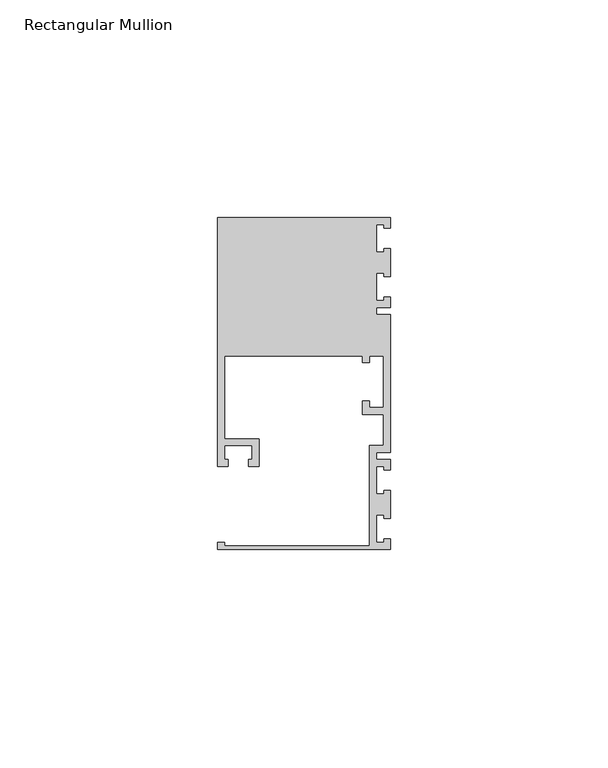
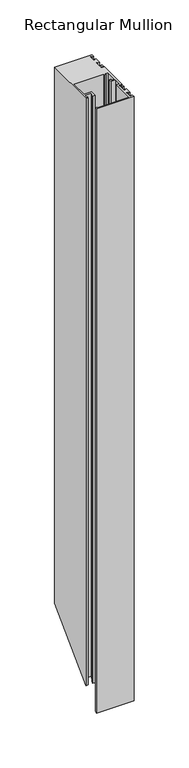
"""IFC4 building model written with IfcOpenShell, lengths in millimetres: member geometry, Rectangular Mullion."""

from ifc_helpers import new_model, si_unit, origin, place, context, project, spatial, faceted_brep, source, transform, mapped, element, save


def rectangular_mullion_403d4ccc(model_context):
    return source(origin(), model_context, "Body", "Brep", [
        faceted_brep([(0.0, -38.1, 0.0), (0.0, -35.71875, 0.0), (-1.4999946, -35.71875, 0.0), (-1.4999946, -36.5125, 0.0), (-3.175, -36.5125, 0.0), (-3.175, -30.1625, 0.0), (-1.4999946, -30.1625, 0.0), (-1.4999946, -30.95625, 0.0), (0.0, -30.95625, 0.0), (0.0, -24.60625, 0.0), (-1.4999946, -24.60625, 0.0), (-1.4999946, -25.4, 0.0), (-3.175, -25.4, 0.0), (-3.175, -19.05, 0.0), (-1.4999946, -19.05, 0.0), (-1.4999946, -19.84375, 0.0), (0.0, -19.84375, 0.0), (0.0, -17.4625, 0.0), (-3.175, -17.4625, 0.0), (-3.175, -15.875, 0.0), (0.0, -15.875, 0.0), (0.0, 15.875, 0.0), (-3.175, 15.875, 0.0), (-3.175, 17.4625, 0.0), (0.0, 17.4625, 0.0), (0.0, 19.84375, 0.0), (-1.4999946, 19.84375, 0.0), (-1.4999946, 19.05, 0.0), (-3.175, 19.05, 0.0), (-3.175, 25.4, 0.0), (-1.4999946, 25.4, 0.0), (-1.4999946, 24.60625, 0.0), (0.0, 24.60625, 0.0), (0.0, 30.95625, 0.0), (-1.4999946, 30.95625, 0.0), (-1.4999946, 30.1625, 0.0), (-3.175, 30.1625, 0.0), (-3.175, 36.5125, 0.0), (-1.4999946, 36.5125, 0.0), (-1.4999946, 35.71875, 0.0), (0.0, 35.71875, 0.0), (0.0, 38.1, 0.0), (-39.6875, 38.1, 0.0), (-39.6875, -19.05, 0.0), (-37.30625, -19.05, 0.0), (-37.30625, -17.4625, 0.0), (-38.1, -17.4625, 0.0), (-38.1, -14.2875, 0.0), (-31.75, -14.2875, 0.0), (-31.75, -17.4625, 0.0), (-32.54375, -17.4625, 0.0), (-32.54375, -19.05, 0.0), (-30.1625, -19.05, 0.0), (-30.1625, -12.7, 0.0), (-38.1, -12.7, 0.0), (-38.1, 6.35, 0.0), (-6.35, 6.35, 0.0), (-6.35, 4.7625, 0.0), (-4.7625, 4.7625, 0.0), (-4.7625, 6.35, 0.0), (-1.5875, 6.35, 0.0), (-1.5875, -5.55625, 0.0), (-4.7625, -5.55625, 0.0), (-4.7625, -3.96875, 0.0), (-6.35, -3.96875, 0.0), (-6.35, -7.14375, 0.0), (-1.5875, -7.14375, 0.0), (-1.5875, -14.2875, 0.0), (-4.7625, -14.2875, 0.0), (-4.7625, -37.30625, 0.0), (-38.1, -37.30625, 0.0), (-38.1, -36.5125, 0.0), (-39.6875, -36.5125, 0.0), (-39.6875, -38.1, 0.0), (0.0, -38.1, -673.1), (0.0, -35.71875, -670.71875), (-1.4999946, -35.71875, -670.71875), (-1.4999946, -36.5125, -671.5125), (-3.175, -36.5125, -671.5125), (-3.175, -30.1625, -665.1625), (-1.4999946, -30.1625, -665.1625), (-1.4999946, -30.95625, -665.95625), (0.0, -30.95625, -665.95625), (0.0, -24.60625, -659.60625), (-1.4999946, -24.60625, -659.60625), (-1.4999946, -25.4, -660.4), (-3.175, -25.4, -660.4), (-3.175, -19.05, -654.05), (-1.4999946, -19.05, -654.05), (-1.4999946, -19.84375, -654.84375), (0.0, -19.84375, -654.84375), (0.0, -17.4625, -652.4625), (-3.175, -17.4625, -652.4625), (-3.175, -15.875, -650.875), (0.0, -15.875, -650.875), (0.0, 15.875, -619.125), (-3.175, 15.875, -619.125), (-3.175, 17.4625, -617.5375), (0.0, 17.4625, -617.5375), (0.0, 19.84375, -615.15625), (-1.4999946, 19.84375, -615.15625), (-1.4999946, 19.05, -615.95), (-3.175, 19.05, -615.95), (-3.175, 25.4, -609.6), (-1.4999946, 25.4, -609.6), (-1.4999946, 24.60625, -610.39375), (0.0, 24.60625, -610.39375), (0.0, 30.95625, -604.04375), (-1.4999946, 30.95625, -604.04375), (-1.4999946, 30.1625, -604.8375), (-3.175, 30.1625, -604.8375), (-3.175, 36.5125, -598.4875), (-1.4999946, 36.5125, -598.4875), (-1.4999946, 35.71875, -599.28125), (0.0, 35.71875, -599.28125), (0.0, 38.1, -596.9), (-39.6875, 38.1, -596.9), (-39.6875, -19.05, -654.05), (-37.30625, -19.05, -654.05), (-37.30625, -17.4625, -652.4625), (-38.1, -17.4625, -652.4625), (-38.1, -14.2875, -649.2875), (-31.75, -14.2875, -649.2875), (-31.75, -17.4625, -652.4625), (-32.54375, -17.4625, -652.4625), (-32.54375, -19.05, -654.05), (-30.1625, -19.05, -654.05), (-30.1625, -12.7, -647.7), (-38.1, -12.7, -647.7), (-38.1, 6.35, -628.65), (-6.35, 6.35, -628.65), (-6.35, 4.7625, -630.2375), (-4.7625, 4.7625, -630.2375), (-4.7625, 6.35, -628.65), (-1.5875, 6.35, -628.65), (-1.5875, -5.55625, -640.55625), (-4.7625, -5.55625, -640.55625), (-4.7625, -3.96875, -638.96875), (-6.35, -3.96875, -638.96875), (-6.35, -7.14375, -642.14375), (-1.5875, -7.14375, -642.14375), (-1.5875, -14.2875, -649.2875), (-4.7625, -14.2875, -649.2875), (-4.7625, -37.30625, -672.30625), (-38.1, -37.30625, -672.30625), (-38.1, -36.5125, -671.5125), (-39.6875, -36.5125, -671.5125), (-39.6875, -38.1, -673.1)], [[[0, 1, 2, 3, 4, 5, 6, 7, 8, 9, 10, 11, 12, 13, 14, 15, 16, 17, 18, 19, 20, 21, 22, 23, 24, 25, 26, 27, 28, 29, 30, 31, 32, 33, 34, 35, 36, 37, 38, 39, 40, 41, 42, 43, 44, 45, 46, 47, 48, 49, 50, 51, 52, 53, 54, 55, 56, 57, 58, 59, 60, 61, 62, 63, 64, 65, 66, 67, 68, 69, 70, 71, 72, 73]], [[1, 0, 74, 75]], [[2, 1, 75, 76]], [[3, 2, 76, 77]], [[4, 3, 77, 78]], [[5, 4, 78, 79]], [[6, 5, 79, 80]], [[7, 6, 80, 81]], [[8, 7, 81, 82]], [[9, 8, 82, 83]], [[10, 9, 83, 84]], [[11, 10, 84, 85]], [[12, 11, 85, 86]], [[13, 12, 86, 87]], [[14, 13, 87, 88]], [[15, 14, 88, 89]], [[16, 15, 89, 90]], [[17, 16, 90, 91]], [[18, 17, 91, 92]], [[19, 18, 92, 93]], [[20, 19, 93, 94]], [[21, 20, 94, 95]], [[22, 21, 95, 96]], [[23, 22, 96, 97]], [[24, 23, 97, 98]], [[25, 24, 98, 99]], [[26, 25, 99, 100]], [[27, 26, 100, 101]], [[28, 27, 101, 102]], [[29, 28, 102, 103]], [[30, 29, 103, 104]], [[31, 30, 104, 105]], [[32, 31, 105, 106]], [[33, 32, 106, 107]], [[34, 33, 107, 108]], [[35, 34, 108, 109]], [[36, 35, 109, 110]], [[37, 36, 110, 111]], [[38, 37, 111, 112]], [[39, 38, 112, 113]], [[40, 39, 113, 114]], [[41, 40, 114, 115]], [[42, 41, 115, 116]], [[43, 42, 116, 117]], [[44, 43, 117, 118]], [[45, 44, 118, 119]], [[46, 45, 119, 120]], [[47, 46, 120, 121]], [[48, 47, 121, 122]], [[49, 48, 122, 123]], [[50, 49, 123, 124]], [[51, 50, 124, 125]], [[52, 51, 125, 126]], [[53, 52, 126, 127]], [[54, 53, 127, 128]], [[55, 54, 128, 129]], [[56, 55, 129, 130]], [[57, 56, 130, 131]], [[58, 57, 131, 132]], [[59, 58, 132, 133]], [[60, 59, 133, 134]], [[61, 60, 134, 135]], [[62, 61, 135, 136]], [[63, 62, 136, 137]], [[64, 63, 137, 138]], [[65, 64, 138, 139]], [[66, 65, 139, 140]], [[67, 66, 140, 141]], [[68, 67, 141, 142]], [[69, 68, 142, 143]], [[70, 69, 143, 144]], [[71, 70, 144, 145]], [[72, 71, 145, 146]], [[73, 72, 146, 147]], [[0, 73, 147, 74]], [[74, 147, 146, 145, 144, 143, 142, 141, 140, 139, 138, 137, 136, 135, 134, 133, 132, 131, 130, 129, 128, 127, 126, 125, 124, 123, 122, 121, 120, 119, 118, 117, 116, 115, 114, 113, 112, 111, 110, 109, 108, 107, 106, 105, 104, 103, 102, 101, 100, 99, 98, 97, 96, 95, 94, 93, 92, 91, 90, 89, 88, 87, 86, 85, 84, 83, 82, 81, 80, 79, 78, 77, 76, 75]]]),
    ])


if __name__ == "__main__":
    model = new_model("IFC4")
    model_context = context("Model", 3, world=origin())
    ifc_project = project(units=[si_unit("LENGTHUNIT", "METRE", prefix="MILLI")], contexts=[model_context])
    site = spatial("IfcSite", under=ifc_project)
    building = spatial("IfcBuilding", under=site)
    placement = place(None, origin())
    rectangular_mullion_shape = rectangular_mullion_403d4ccc(model_context)
    element("IfcMember", 1, ObjectType="Rectangular Mullion", at=placement, inside=building, context=model_context, shape_type="MappedRepresentation", body=[
        mapped(rectangular_mullion_shape, transform((0.0, 0.0, 0.0), x_axis=(1.0, 0.0, 0.0), y_axis=(0.0, 1.0, 0.0), z_axis=(0.0, 0.0, 1.0))),
    ])
    save(model, "model.ifc")
